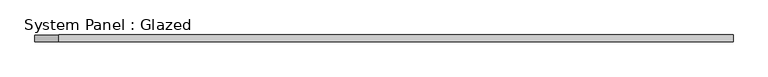
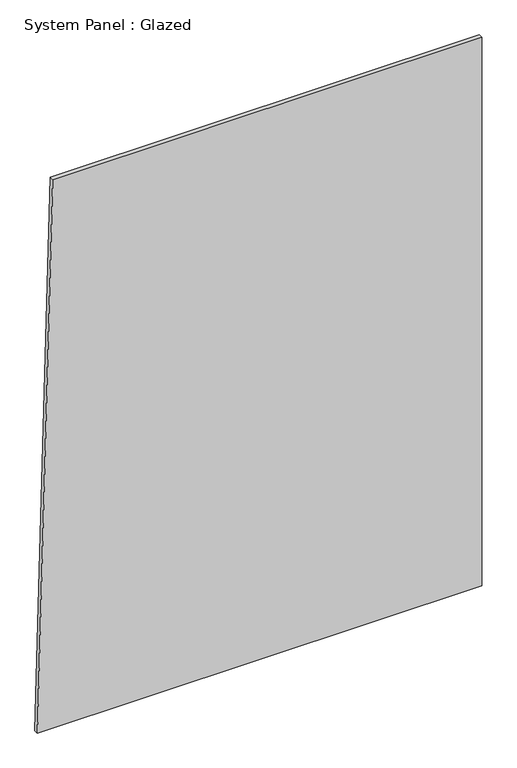
"""IFC4 building model written with IfcOpenShell, lengths in millimetres: plate geometry, System Panel : Glazed."""

from ifc_helpers import new_model, si_unit, frame, origin, place, context, project, spatial, polyline, outline, extrude, source, transform, mapped, element, save


def system_panel_glazed_cf25eec3(model_context):
    return source(origin(), model_context, "Body", "SweptSolid", [
        extrude(outline(polyline([(0.0, -1280.5848932), (0.0, 1280.5848932), (3340.8312383, 1280.5848932), (3340.8312383, -1192.6399993), (0.0, -1280.5848932)])), frame((0.0, -49.5, 0.0), z_axis=(0.0, 1.0, 0.0), x_axis=(0.0, 0.0, 1.0)), (0.0, 0.0, 1.0), 25.0),
    ])


if __name__ == "__main__":
    model = new_model("IFC4")
    model_context = context("Model", 3, world=origin())
    ifc_project = project(units=[si_unit("LENGTHUNIT", "METRE", prefix="MILLI")], contexts=[model_context])
    site = spatial("IfcSite", under=ifc_project)
    building = spatial("IfcBuilding", under=site)
    placement = place(None, origin())
    system_panel_glazed_shape = system_panel_glazed_cf25eec3(model_context)
    element("IfcPlate", 1, ObjectType="System Panel : Glazed", at=placement, inside=building, context=model_context, shape_type="MappedRepresentation", body=[
        mapped(system_panel_glazed_shape, transform((0.0, 0.0, 0.0), x_axis=(1.0, 0.0, 0.0), y_axis=(0.0, 1.0, 0.0), z_axis=(0.0, 0.0, 1.0))),
    ])
    save(model, "model.ifc")
